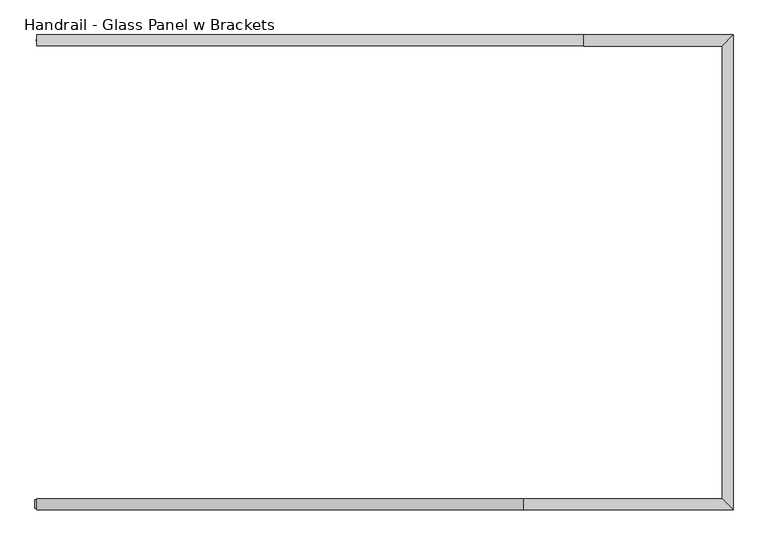
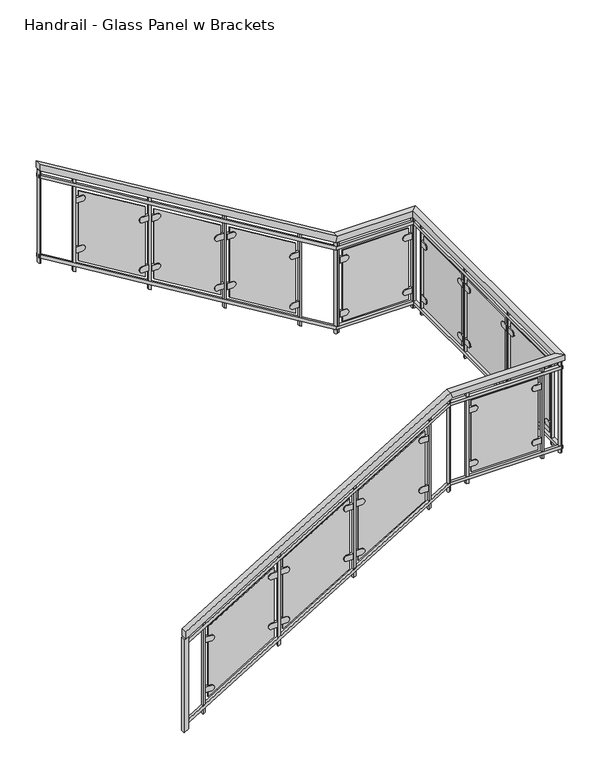
"""IFC4 building model written with IfcOpenShell, lengths in millimetres: railing geometry, Handrail - Glass Panel w Brackets."""

from ifc_helpers import new_model, si_unit, point, frame, frame_2d, origin, place, context, project, spatial, polyline, circle_curve, ellipse_curve, trimmed, segment, composite_curve, outline, extrude, faceted_brep, source, transform, mapped, element, save
from ifc_brep_helpers import plane_surface, cylinder_surface, advanced_brep


def handrail_glass_panel_w_brackets_734b2f72(model_context):
    return source(origin(), model_context, "Body", "SolidModel", [
        faceted_brep([(-2988.7266552, 8278.177236, 1083.7333333), (-2988.7266552, 8328.977236, 1083.7333333), (-2988.7266552, 8328.977236, 1024.3318731), (-2988.7266552, 8278.177236, 1024.3318731), (-753.5266552, 8278.177236, 2438.4), (-753.5266552, 8328.977236, 2438.4), (-739.3342458, 8328.977236, 2387.6), (-739.3342458, 8278.177236, 2387.6), (211.6733448, 8278.177236, 2438.4), (160.8733448, 8328.977236, 2438.4), (160.8733448, 8328.977236, 2387.6), (211.6733448, 8278.177236, 2387.6), (211.6733448, 10462.577236, 2438.4), (160.8733448, 10411.777236, 2438.4), (160.8733448, 10411.777236, 2387.6), (211.6733448, 10462.577236, 2387.6), (-474.1266552, 10462.577236, 2438.4), (-474.1266552, 10411.777236, 2438.4), (-488.3190646, 10411.777236, 2387.6), (-488.3190646, 10462.577236, 2387.6), (-2988.7266552, 10462.577236, 3962.4), (-2988.7266552, 10462.577236, 3902.9985397), (-2988.7266552, 10411.777236, 3902.9985397), (-2988.7266552, 10411.777236, 3962.4)], [[[0, 1, 2, 3]], [[1, 0, 4, 5]], [[2, 1, 5, 6]], [[3, 2, 6, 7]], [[0, 3, 7, 4]], [[5, 4, 8, 9]], [[6, 5, 9, 10]], [[7, 6, 10, 11]], [[4, 7, 11, 8]], [[9, 8, 12, 13]], [[10, 9, 13, 14]], [[11, 10, 14, 15]], [[8, 11, 15, 12]], [[13, 12, 16, 17]], [[14, 13, 17, 18]], [[15, 14, 18, 19]], [[12, 15, 19, 16]], [[20, 21, 22, 23]], [[17, 16, 20, 23]], [[18, 17, 23, 22]], [[19, 18, 22, 21]], [[16, 19, 21, 20]]]),
        faceted_brep([(-2988.7266552, 8290.877236, 982.1333333), (-2988.7266552, 8316.277236, 982.1333333), (-2988.7266552, 8316.277236, 952.4326032), (-2988.7266552, 8290.877236, 952.4326032), (-753.5266552, 8290.877236, 2336.8), (-753.5266552, 8316.277236, 2336.8), (-746.4304505, 8316.277236, 2311.4), (-746.4304505, 8290.877236, 2311.4), (198.9733448, 8290.877236, 2336.8), (173.5733448, 8316.277236, 2336.8), (173.5733448, 8316.277236, 2311.4), (198.9733448, 8290.877236, 2311.4), (198.9733448, 10449.877236, 2336.8), (173.5733448, 10424.477236, 2336.8), (173.5733448, 10424.477236, 2311.4), (198.9733448, 10449.877236, 2311.4), (-474.1266552, 10449.877236, 2336.8), (-474.1266552, 10424.477236, 2336.8), (-481.2228599, 10424.477236, 2311.4), (-481.2228599, 10449.877236, 2311.4), (-2988.7266552, 10449.877236, 3860.8), (-2988.7266552, 10449.877236, 3831.0992699), (-2988.7266552, 10424.477236, 3831.0992699), (-2988.7266552, 10424.477236, 3860.8)], [[[0, 1, 2, 3]], [[1, 0, 4, 5]], [[2, 1, 5, 6]], [[3, 2, 6, 7]], [[0, 3, 7, 4]], [[5, 4, 8, 9]], [[6, 5, 9, 10]], [[7, 6, 10, 11]], [[4, 7, 11, 8]], [[9, 8, 12, 13]], [[10, 9, 13, 14]], [[11, 10, 14, 15]], [[8, 11, 15, 12]], [[13, 12, 16, 17]], [[14, 13, 17, 18]], [[15, 14, 18, 19]], [[12, 15, 19, 16]], [[20, 21, 22, 23]], [[17, 16, 20, 23]], [[18, 17, 23, 22]], [[19, 18, 22, 21]], [[16, 19, 21, 20]]]),
        faceted_brep([(-2988.7266552, 8290.877236, 270.9333333), (-2988.7266552, 8316.277236, 270.9333333), (-2988.7266552, 8316.277236, 241.2326032), (-2988.7266552, 8290.877236, 241.2326032), (-753.5266552, 8290.877236, 1625.6), (-753.5266552, 8316.277236, 1625.6), (-746.4304505, 8316.277236, 1600.2), (-746.4304505, 8290.877236, 1600.2), (198.9733448, 8290.877236, 1625.6), (173.5733448, 8316.277236, 1625.6), (173.5733448, 8316.277236, 1600.2), (198.9733448, 8290.877236, 1600.2), (198.9733448, 10449.877236, 1625.6), (173.5733448, 10424.477236, 1625.6), (173.5733448, 10424.477236, 1600.2), (198.9733448, 10449.877236, 1600.2), (-474.1266552, 10449.877236, 1625.6), (-474.1266552, 10424.477236, 1625.6), (-481.2228599, 10424.477236, 1600.2), (-481.2228599, 10449.877236, 1600.2), (-2988.7266552, 10449.877236, 3149.6), (-2988.7266552, 10449.877236, 3119.8992699), (-2988.7266552, 10424.477236, 3119.8992699), (-2988.7266552, 10424.477236, 3149.6)], [[[0, 1, 2, 3]], [[1, 0, 4, 5]], [[2, 1, 5, 6]], [[3, 2, 6, 7]], [[0, 3, 7, 4]], [[5, 4, 8, 9]], [[6, 5, 9, 10]], [[7, 6, 10, 11]], [[4, 7, 11, 8]], [[9, 8, 12, 13]], [[10, 9, 13, 14]], [[11, 10, 14, 15]], [[8, 11, 15, 12]], [[13, 12, 16, 17]], [[14, 13, 17, 18]], [[15, 14, 18, 19]], [[12, 15, 19, 16]], [[20, 21, 22, 23]], [[17, 16, 20, 23]], [[18, 17, 23, 22]], [[19, 18, 22, 21]], [[16, 19, 21, 20]]]),
        extrude(outline(polyline([(3712.4985397, -2674.4016552), (3724.0439943, -2693.4516552), (2895.7428874, -2693.4516552), (2884.1974329, -2674.4016552), (3712.4985397, -2674.4016552)])), frame((0.0, 10427.652236, 0.0), z_axis=(0.0, 1.0, 0.0), x_axis=(0.0, 0.0, 1.0)), (0.0, 0.0, 1.0), 19.05),
        extrude(outline(composite_curve([segment(polyline([(3545.2721069, -2620.4266552), (3545.2721069, -2671.2266552), (3494.4721069, -2671.2266552), (3494.4721069, -2620.4266552)]), True, "CONTINUOUS"), segment(trimmed(circle_curve(frame_2d((3519.8721069, -2620.4266552)), 25.4), [point((3494.4721069, -2620.4266552))], [point((3545.2721069, -2620.4266552))], False, "CARTESIAN"), True, "CONTINUOUS")], self_intersect=False)), frame((0.0, 10424.477236, 0.0), z_axis=(0.0, 1.0, 0.0), x_axis=(0.0, 0.0, 1.0)), (0.0, 0.0, 1.0), 19.05),
        extrude(outline(composite_curve([segment(trimmed(circle_curve(frame_2d((3150.4175615, -2112.4266552)), 25.4), [point((3175.8175615, -2112.4266552))], [point((3125.0175615, -2112.4266552))], False, "CARTESIAN"), True, "CONTINUOUS"), segment(polyline([(3125.0175615, -2112.4266552), (3125.0175615, -2061.6266552), (3175.8175615, -2061.6266552), (3175.8175615, -2112.4266552)]), True, "CONTINUOUS")], self_intersect=False)), frame((0.0, 10424.477236, 0.0), z_axis=(0.0, 1.0, 0.0), x_axis=(0.0, 0.0, 1.0)), (0.0, 0.0, 1.0), 19.05),
        extrude(outline(composite_curve([segment(polyline([(3101.3786781, -2620.4266552), (3101.3786781, -2671.2266552), (3050.5786781, -2671.2266552), (3050.5786781, -2620.4266552)]), True, "CONTINUOUS"), segment(trimmed(circle_curve(frame_2d((3075.9786781, -2620.4266552)), 25.4), [point((3050.5786781, -2620.4266552))], [point((3101.3786781, -2620.4266552))], False, "CARTESIAN"), True, "CONTINUOUS")], self_intersect=False)), frame((0.0, 10424.477236, 0.0), z_axis=(0.0, 1.0, 0.0), x_axis=(0.0, 0.0, 1.0)), (0.0, 0.0, 1.0), 19.05),
        extrude(outline(composite_curve([segment(trimmed(circle_curve(frame_2d((2706.5241326, -2112.4266552)), 25.4), [point((2731.9241326, -2112.4266552))], [point((2681.1241326, -2112.4266552))], False, "CARTESIAN"), True, "CONTINUOUS"), segment(polyline([(2681.1241326, -2112.4266552), (2681.1241326, -2061.6266552), (2731.9241326, -2061.6266552), (2731.9241326, -2112.4266552)]), True, "CONTINUOUS")], self_intersect=False)), frame((0.0, 10424.477236, 0.0), z_axis=(0.0, 1.0, 0.0), x_axis=(0.0, 0.0, 1.0)), (0.0, 0.0, 1.0), 19.05),
        extrude(outline(polyline([(3254.9136913, -2087.0266552), (3593.5803579, -2645.8266552), (2971.4825483, -2645.8266552), (2632.8158816, -2087.0266552), (3254.9136913, -2087.0266552)])), frame((0.0, 10430.827236, 0.0), z_axis=(0.0, 1.0, 0.0), x_axis=(0.0, 0.0, 1.0)), (0.0, 0.0, 1.0), 6.35),
        extrude(outline(polyline([(3327.6500549, -2039.4016552), (3339.1955094, -2058.4516552), (2510.8944026, -2058.4516552), (2499.348948, -2039.4016552), (3327.6500549, -2039.4016552)])), frame((0.0, 10427.652236, 0.0), z_axis=(0.0, 1.0, 0.0), x_axis=(0.0, 0.0, 1.0)), (0.0, 0.0, 1.0), 19.05),
        extrude(outline(composite_curve([segment(polyline([(3160.4236221, -1985.4266552), (3160.4236221, -2036.2266552), (3109.6236221, -2036.2266552), (3109.6236221, -1985.4266552)]), True, "CONTINUOUS"), segment(trimmed(circle_curve(frame_2d((3135.0236221, -1985.4266552)), 25.4), [point((3109.6236221, -1985.4266552))], [point((3160.4236221, -1985.4266552))], False, "CARTESIAN"), True, "CONTINUOUS")], self_intersect=False)), frame((0.0, 10424.477236, 0.0), z_axis=(0.0, 1.0, 0.0), x_axis=(0.0, 0.0, 1.0)), (0.0, 0.0, 1.0), 19.05),
        extrude(outline(composite_curve([segment(trimmed(circle_curve(frame_2d((2765.5690766, -1477.4266552)), 25.4), [point((2790.9690766, -1477.4266552))], [point((2740.1690766, -1477.4266552))], False, "CARTESIAN"), True, "CONTINUOUS"), segment(polyline([(2740.1690766, -1477.4266552), (2740.1690766, -1426.6266552), (2790.9690766, -1426.6266552), (2790.9690766, -1477.4266552)]), True, "CONTINUOUS")], self_intersect=False)), frame((0.0, 10424.477236, 0.0), z_axis=(0.0, 1.0, 0.0), x_axis=(0.0, 0.0, 1.0)), (0.0, 0.0, 1.0), 19.05),
        extrude(outline(composite_curve([segment(polyline([(2716.5301932, -1985.4266552), (2716.5301932, -2036.2266552), (2665.7301932, -2036.2266552), (2665.7301932, -1985.4266552)]), True, "CONTINUOUS"), segment(trimmed(circle_curve(frame_2d((2691.1301932, -1985.4266552)), 25.4), [point((2665.7301932, -1985.4266552))], [point((2716.5301932, -1985.4266552))], False, "CARTESIAN"), True, "CONTINUOUS")], self_intersect=False)), frame((0.0, 10424.477236, 0.0), z_axis=(0.0, 1.0, 0.0), x_axis=(0.0, 0.0, 1.0)), (0.0, 0.0, 1.0), 19.05),
        extrude(outline(composite_curve([segment(trimmed(circle_curve(frame_2d((2321.6756478, -1477.4266552)), 25.4), [point((2347.0756478, -1477.4266552))], [point((2296.2756478, -1477.4266552))], False, "CARTESIAN"), True, "CONTINUOUS"), segment(polyline([(2296.2756478, -1477.4266552), (2296.2756478, -1426.6266552), (2347.0756478, -1426.6266552), (2347.0756478, -1477.4266552)]), True, "CONTINUOUS")], self_intersect=False)), frame((0.0, 10424.477236, 0.0), z_axis=(0.0, 1.0, 0.0), x_axis=(0.0, 0.0, 1.0)), (0.0, 0.0, 1.0), 19.05),
        extrude(outline(polyline([(2870.0652064, -1452.0266552), (3208.7318731, -2010.8266552), (2586.6340635, -2010.8266552), (2247.9673968, -1452.0266552), (2870.0652064, -1452.0266552)])), frame((0.0, 10430.827236, 0.0), z_axis=(0.0, 1.0, 0.0), x_axis=(0.0, 0.0, 1.0)), (0.0, 0.0, 1.0), 6.35),
        extrude(outline(polyline([(2942.80157, -1404.4016552), (2954.3470246, -1423.4516552), (2126.0459177, -1423.4516552), (2114.5004632, -1404.4016552), (2942.80157, -1404.4016552)])), frame((0.0, 10427.652236, 0.0), z_axis=(0.0, 1.0, 0.0), x_axis=(0.0, 0.0, 1.0)), (0.0, 0.0, 1.0), 19.05),
        extrude(outline(composite_curve([segment(polyline([(2775.5751372, -1350.4266552), (2775.5751372, -1401.2266552), (2724.7751372, -1401.2266552), (2724.7751372, -1350.4266552)]), True, "CONTINUOUS"), segment(trimmed(circle_curve(frame_2d((2750.1751372, -1350.4266552)), 25.4), [point((2724.7751372, -1350.4266552))], [point((2775.5751372, -1350.4266552))], False, "CARTESIAN"), True, "CONTINUOUS")], self_intersect=False)), frame((0.0, 10424.477236, 0.0), z_axis=(0.0, 1.0, 0.0), x_axis=(0.0, 0.0, 1.0)), (0.0, 0.0, 1.0), 19.05),
        extrude(outline(composite_curve([segment(trimmed(circle_curve(frame_2d((2380.7205918, -842.4266552)), 25.4), [point((2406.1205918, -842.4266552))], [point((2355.3205918, -842.4266552))], False, "CARTESIAN"), True, "CONTINUOUS"), segment(polyline([(2355.3205918, -842.4266552), (2355.3205918, -791.6266552), (2406.1205918, -791.6266552), (2406.1205918, -842.4266552)]), True, "CONTINUOUS")], self_intersect=False)), frame((0.0, 10424.477236, 0.0), z_axis=(0.0, 1.0, 0.0), x_axis=(0.0, 0.0, 1.0)), (0.0, 0.0, 1.0), 19.05),
        extrude(outline(composite_curve([segment(polyline([(2331.6817084, -1350.4266552), (2331.6817084, -1401.2266552), (2280.8817084, -1401.2266552), (2280.8817084, -1350.4266552)]), True, "CONTINUOUS"), segment(trimmed(circle_curve(frame_2d((2306.2817084, -1350.4266552)), 25.4), [point((2280.8817084, -1350.4266552))], [point((2331.6817084, -1350.4266552))], False, "CARTESIAN"), True, "CONTINUOUS")], self_intersect=False)), frame((0.0, 10424.477236, 0.0), z_axis=(0.0, 1.0, 0.0), x_axis=(0.0, 0.0, 1.0)), (0.0, 0.0, 1.0), 19.05),
        extrude(outline(composite_curve([segment(trimmed(circle_curve(frame_2d((1936.8271629, -842.4266552)), 25.4), [point((1962.2271629, -842.4266552))], [point((1911.4271629, -842.4266552))], False, "CARTESIAN"), True, "CONTINUOUS"), segment(polyline([(1911.4271629, -842.4266552), (1911.4271629, -791.6266552), (1962.2271629, -791.6266552), (1962.2271629, -842.4266552)]), True, "CONTINUOUS")], self_intersect=False)), frame((0.0, 10424.477236, 0.0), z_axis=(0.0, 1.0, 0.0), x_axis=(0.0, 0.0, 1.0)), (0.0, 0.0, 1.0), 19.05),
        extrude(outline(polyline([(2485.2167216, -817.0266552), (2823.8833882, -1375.8266552), (2201.7855786, -1375.8266552), (1863.1189119, -817.0266552), (2485.2167216, -817.0266552)])), frame((0.0, 10430.827236, 0.0), z_axis=(0.0, 1.0, 0.0), x_axis=(0.0, 0.0, 1.0)), (0.0, 0.0, 1.0), 6.35),
        extrude(outline(polyline([(2557.9530852, -769.4016552), (2569.4985397, -788.4516552), (1741.1974329, -788.4516552), (1729.6519783, -769.4016552), (2557.9530852, -769.4016552)])), frame((0.0, 10427.652236, 0.0), z_axis=(0.0, 1.0, 0.0), x_axis=(0.0, 0.0, 1.0)), (0.0, 0.0, 1.0), 19.05),
        extrude(outline(polyline([(-451.9016552, 10446.702236), (-451.9016552, 10427.652236), (-470.9516552, 10427.652236), (-470.9516552, 10446.702236), (-451.9016552, 10446.702236)])), frame((0.0, 0.0, 1565.275), z_axis=(0.0, 0.0, 1.0), x_axis=(1.0, 0.0, 0.0)), (0.0, 0.0, 1.0), 822.325),
        extrude(outline(composite_curve([segment(polyline([(2235.2, -397.9266552), (2235.2, -448.7266552), (2184.4, -448.7266552), (2184.4, -397.9266552)]), True, "CONTINUOUS"), segment(trimmed(circle_curve(frame_2d((2209.8, -397.9266552)), 25.4), [point((2184.4, -397.9266552))], [point((2235.2, -397.9266552))], False, "CARTESIAN"), True, "CONTINUOUS")], self_intersect=False)), frame((0.0, 10424.477236, 0.0), z_axis=(0.0, 1.0, 0.0), x_axis=(0.0, 0.0, 1.0)), (0.0, 0.0, 1.0), 19.05),
        extrude(outline(composite_curve([segment(trimmed(circle_curve(frame_2d((2209.8, 110.0733448)), 25.4), [point((2235.2, 110.0733448))], [point((2184.4, 110.0733448))], False, "CARTESIAN"), True, "CONTINUOUS"), segment(polyline([(2184.4, 110.0733448), (2184.4, 160.8733448), (2235.2, 160.8733448), (2235.2, 110.0733448)]), True, "CONTINUOUS")], self_intersect=False)), frame((0.0, 10424.477236, 0.0), z_axis=(0.0, 1.0, 0.0), x_axis=(0.0, 0.0, 1.0)), (0.0, 0.0, 1.0), 19.05),
        extrude(outline(composite_curve([segment(polyline([(1752.6, -397.9266552), (1752.6, -448.7266552), (1701.8, -448.7266552), (1701.8, -397.9266552)]), True, "CONTINUOUS"), segment(trimmed(circle_curve(frame_2d((1727.2, -397.9266552)), 25.4), [point((1701.8, -397.9266552))], [point((1752.6, -397.9266552))], False, "CARTESIAN"), True, "CONTINUOUS")], self_intersect=False)), frame((0.0, 10424.477236, 0.0), z_axis=(0.0, 1.0, 0.0), x_axis=(0.0, 0.0, 1.0)), (0.0, 0.0, 1.0), 19.05),
        extrude(outline(composite_curve([segment(trimmed(circle_curve(frame_2d((1727.2, 110.0733448)), 25.4), [point((1752.6, 110.0733448))], [point((1701.8, 110.0733448))], False, "CARTESIAN"), True, "CONTINUOUS"), segment(polyline([(1701.8, 110.0733448), (1701.8, 160.8733448), (1752.6, 160.8733448), (1752.6, 110.0733448)]), True, "CONTINUOUS")], self_intersect=False)), frame((0.0, 10424.477236, 0.0), z_axis=(0.0, 1.0, 0.0), x_axis=(0.0, 0.0, 1.0)), (0.0, 0.0, 1.0), 19.05),
        extrude(outline(polyline([(135.4733448, 10430.827236), (-423.3266552, 10430.827236), (-423.3266552, 10437.177236), (135.4733448, 10437.177236), (135.4733448, 10430.827236)])), frame((0.0, 0.0, 1651.0), z_axis=(0.0, 0.0, 1.0), x_axis=(1.0, 0.0, 0.0)), (0.0, 0.0, 1.0), 635.0),
        extrude(outline(polyline([(183.0983448, 10446.702236), (183.0983448, 10427.652236), (164.0483448, 10427.652236), (164.0483448, 10446.702236), (183.0983448, 10446.702236)])), frame((0.0, 0.0, 1565.275), z_axis=(0.0, 0.0, 1.0), x_axis=(1.0, 0.0, 0.0)), (0.0, 0.0, 1.0), 822.325),
        extrude(outline(polyline([(195.7983448, 10313.352236), (176.7483448, 10313.352236), (176.7483448, 10332.402236), (195.7983448, 10332.402236), (195.7983448, 10313.352236)])), frame((0.0, 0.0, 1565.275), z_axis=(0.0, 0.0, 1.0), x_axis=(1.0, 0.0, 0.0)), (0.0, 0.0, 1.0), 822.325),
        extrude(outline(composite_curve([segment(polyline([(10259.377236, 2235.2), (10310.177236, 2235.2), (10310.177236, 2184.4), (10259.377236, 2184.4)]), True, "CONTINUOUS"), segment(trimmed(circle_curve(frame_2d((10259.377236, 2209.8)), 25.4), [point((10259.377236, 2184.4))], [point((10259.377236, 2235.2))], False, "CARTESIAN"), True, "CONTINUOUS")], self_intersect=False)), frame((173.5733448, 0.0, 0.0), z_axis=(1.0, 0.0, 0.0), x_axis=(0.0, 1.0, 0.0)), (0.0, 0.0, 1.0), 19.05),
        extrude(outline(composite_curve([segment(trimmed(circle_curve(frame_2d((9751.377236, 2209.8)), 25.4), [point((9751.377236, 2235.2))], [point((9751.377236, 2184.4))], False, "CARTESIAN"), True, "CONTINUOUS"), segment(polyline([(9751.377236, 2184.4), (9700.577236, 2184.4), (9700.577236, 2235.2), (9751.377236, 2235.2)]), True, "CONTINUOUS")], self_intersect=False)), frame((173.5733448, 0.0, 0.0), z_axis=(1.0, 0.0, 0.0), x_axis=(0.0, 1.0, 0.0)), (0.0, 0.0, 1.0), 19.05),
        extrude(outline(composite_curve([segment(polyline([(10259.377236, 1752.6), (10310.177236, 1752.6), (10310.177236, 1701.8), (10259.377236, 1701.8)]), True, "CONTINUOUS"), segment(trimmed(circle_curve(frame_2d((10259.377236, 1727.2)), 25.4), [point((10259.377236, 1701.8))], [point((10259.377236, 1752.6))], False, "CARTESIAN"), True, "CONTINUOUS")], self_intersect=False)), frame((173.5733448, 0.0, 0.0), z_axis=(1.0, 0.0, 0.0), x_axis=(0.0, 1.0, 0.0)), (0.0, 0.0, 1.0), 19.05),
        extrude(outline(composite_curve([segment(trimmed(circle_curve(frame_2d((9751.377236, 1727.2)), 25.4), [point((9751.377236, 1752.6))], [point((9751.377236, 1701.8))], False, "CARTESIAN"), True, "CONTINUOUS"), segment(polyline([(9751.377236, 1701.8), (9700.577236, 1701.8), (9700.577236, 1752.6), (9751.377236, 1752.6)]), True, "CONTINUOUS")], self_intersect=False)), frame((173.5733448, 0.0, 0.0), z_axis=(1.0, 0.0, 0.0), x_axis=(0.0, 1.0, 0.0)), (0.0, 0.0, 1.0), 19.05),
        extrude(outline(polyline([(179.9233448, 9725.977236), (179.9233448, 10284.777236), (186.2733448, 10284.777236), (186.2733448, 9725.977236), (179.9233448, 9725.977236)])), frame((0.0, 0.0, 1651.0), z_axis=(0.0, 0.0, 1.0), x_axis=(1.0, 0.0, 0.0)), (0.0, 0.0, 1.0), 635.0),
        extrude(outline(polyline([(195.7983448, 9678.352236), (176.7483448, 9678.352236), (176.7483448, 9697.402236), (195.7983448, 9697.402236), (195.7983448, 9678.352236)])), frame((0.0, 0.0, 1565.275), z_axis=(0.0, 0.0, 1.0), x_axis=(1.0, 0.0, 0.0)), (0.0, 0.0, 1.0), 822.325),
        extrude(outline(composite_curve([segment(polyline([(9624.377236, 2235.2), (9675.177236, 2235.2), (9675.177236, 2184.4), (9624.377236, 2184.4)]), True, "CONTINUOUS"), segment(trimmed(circle_curve(frame_2d((9624.377236, 2209.8)), 25.4), [point((9624.377236, 2184.4))], [point((9624.377236, 2235.2))], False, "CARTESIAN"), True, "CONTINUOUS")], self_intersect=False)), frame((173.5733448, 0.0, 0.0), z_axis=(1.0, 0.0, 0.0), x_axis=(0.0, 1.0, 0.0)), (0.0, 0.0, 1.0), 19.05),
        extrude(outline(composite_curve([segment(trimmed(circle_curve(frame_2d((9116.377236, 2209.8)), 25.4), [point((9116.377236, 2235.2))], [point((9116.377236, 2184.4))], False, "CARTESIAN"), True, "CONTINUOUS"), segment(polyline([(9116.377236, 2184.4), (9065.577236, 2184.4), (9065.577236, 2235.2), (9116.377236, 2235.2)]), True, "CONTINUOUS")], self_intersect=False)), frame((173.5733448, 0.0, 0.0), z_axis=(1.0, 0.0, 0.0), x_axis=(0.0, 1.0, 0.0)), (0.0, 0.0, 1.0), 19.05),
        extrude(outline(composite_curve([segment(polyline([(9624.377236, 1752.6), (9675.177236, 1752.6), (9675.177236, 1701.8), (9624.377236, 1701.8)]), True, "CONTINUOUS"), segment(trimmed(circle_curve(frame_2d((9624.377236, 1727.2)), 25.4), [point((9624.377236, 1701.8))], [point((9624.377236, 1752.6))], False, "CARTESIAN"), True, "CONTINUOUS")], self_intersect=False)), frame((173.5733448, 0.0, 0.0), z_axis=(1.0, 0.0, 0.0), x_axis=(0.0, 1.0, 0.0)), (0.0, 0.0, 1.0), 19.05),
        extrude(outline(composite_curve([segment(trimmed(circle_curve(frame_2d((9116.377236, 1727.2)), 25.4), [point((9116.377236, 1752.6))], [point((9116.377236, 1701.8))], False, "CARTESIAN"), True, "CONTINUOUS"), segment(polyline([(9116.377236, 1701.8), (9065.577236, 1701.8), (9065.577236, 1752.6), (9116.377236, 1752.6)]), True, "CONTINUOUS")], self_intersect=False)), frame((173.5733448, 0.0, 0.0), z_axis=(1.0, 0.0, 0.0), x_axis=(0.0, 1.0, 0.0)), (0.0, 0.0, 1.0), 19.05),
        extrude(outline(polyline([(179.9233448, 9090.977236), (179.9233448, 9649.777236), (186.2733448, 9649.777236), (186.2733448, 9090.977236), (179.9233448, 9090.977236)])), frame((0.0, 0.0, 1651.0), z_axis=(0.0, 0.0, 1.0), x_axis=(1.0, 0.0, 0.0)), (0.0, 0.0, 1.0), 635.0),
        extrude(outline(polyline([(195.7983448, 9043.352236), (176.7483448, 9043.352236), (176.7483448, 9062.402236), (195.7983448, 9062.402236), (195.7983448, 9043.352236)])), frame((0.0, 0.0, 1565.275), z_axis=(0.0, 0.0, 1.0), x_axis=(1.0, 0.0, 0.0)), (0.0, 0.0, 1.0), 822.325),
        extrude(outline(composite_curve([segment(polyline([(8989.377236, 2235.2), (9040.177236, 2235.2), (9040.177236, 2184.4), (8989.377236, 2184.4)]), True, "CONTINUOUS"), segment(trimmed(circle_curve(frame_2d((8989.377236, 2209.8)), 25.4), [point((8989.377236, 2184.4))], [point((8989.377236, 2235.2))], False, "CARTESIAN"), True, "CONTINUOUS")], self_intersect=False)), frame((173.5733448, 0.0, 0.0), z_axis=(1.0, 0.0, 0.0), x_axis=(0.0, 1.0, 0.0)), (0.0, 0.0, 1.0), 19.05),
        extrude(outline(composite_curve([segment(trimmed(circle_curve(frame_2d((8481.377236, 2209.8)), 25.4), [point((8481.377236, 2235.2))], [point((8481.377236, 2184.4))], False, "CARTESIAN"), True, "CONTINUOUS"), segment(polyline([(8481.377236, 2184.4), (8430.577236, 2184.4), (8430.577236, 2235.2), (8481.377236, 2235.2)]), True, "CONTINUOUS")], self_intersect=False)), frame((173.5733448, 0.0, 0.0), z_axis=(1.0, 0.0, 0.0), x_axis=(0.0, 1.0, 0.0)), (0.0, 0.0, 1.0), 19.05),
        extrude(outline(composite_curve([segment(polyline([(8989.377236, 1752.6), (9040.177236, 1752.6), (9040.177236, 1701.8), (8989.377236, 1701.8)]), True, "CONTINUOUS"), segment(trimmed(circle_curve(frame_2d((8989.377236, 1727.2)), 25.4), [point((8989.377236, 1701.8))], [point((8989.377236, 1752.6))], False, "CARTESIAN"), True, "CONTINUOUS")], self_intersect=False)), frame((173.5733448, 0.0, 0.0), z_axis=(1.0, 0.0, 0.0), x_axis=(0.0, 1.0, 0.0)), (0.0, 0.0, 1.0), 19.05),
        extrude(outline(composite_curve([segment(trimmed(circle_curve(frame_2d((8481.377236, 1727.2)), 25.4), [point((8481.377236, 1752.6))], [point((8481.377236, 1701.8))], False, "CARTESIAN"), True, "CONTINUOUS"), segment(polyline([(8481.377236, 1701.8), (8430.577236, 1701.8), (8430.577236, 1752.6), (8481.377236, 1752.6)]), True, "CONTINUOUS")], self_intersect=False)), frame((173.5733448, 0.0, 0.0), z_axis=(1.0, 0.0, 0.0), x_axis=(0.0, 1.0, 0.0)), (0.0, 0.0, 1.0), 19.05),
        extrude(outline(polyline([(179.9233448, 8455.977236), (179.9233448, 9014.777236), (186.2733448, 9014.777236), (186.2733448, 8455.977236), (179.9233448, 8455.977236)])), frame((0.0, 0.0, 1651.0), z_axis=(0.0, 0.0, 1.0), x_axis=(1.0, 0.0, 0.0)), (0.0, 0.0, 1.0), 635.0),
        extrude(outline(polyline([(195.7983448, 8408.352236), (176.7483448, 8408.352236), (176.7483448, 8427.402236), (195.7983448, 8427.402236), (195.7983448, 8408.352236)])), frame((0.0, 0.0, 1565.275), z_axis=(0.0, 0.0, 1.0), x_axis=(1.0, 0.0, 0.0)), (0.0, 0.0, 1.0), 822.325),
        extrude(outline(polyline([(24.3483448, 8294.052236), (24.3483448, 8313.102236), (43.3983448, 8313.102236), (43.3983448, 8294.052236), (24.3483448, 8294.052236)])), frame((0.0, 0.0, 1565.275), z_axis=(0.0, 0.0, 1.0), x_axis=(1.0, 0.0, 0.0)), (0.0, 0.0, 1.0), 822.325),
        extrude(outline(composite_curve([segment(trimmed(circle_curve(frame_2d((2209.8, -29.6266552)), 25.4), [point((2235.2, -29.6266552))], [point((2184.4, -29.6266552))], False, "CARTESIAN"), True, "CONTINUOUS"), segment(polyline([(2184.4, -29.6266552), (2184.4, 21.1733448), (2235.2, 21.1733448), (2235.2, -29.6266552)]), True, "CONTINUOUS")], self_intersect=False)), frame((0.0, 8297.227236, 0.0), z_axis=(0.0, 1.0, 0.0), x_axis=(0.0, 0.0, 1.0)), (0.0, 0.0, 1.0), 19.05),
        extrude(outline(composite_curve([segment(polyline([(2235.2, -537.6266552), (2235.2, -588.4266552), (2184.4, -588.4266552), (2184.4, -537.6266552)]), True, "CONTINUOUS"), segment(trimmed(circle_curve(frame_2d((2209.8, -537.6266552)), 25.4), [point((2184.4, -537.6266552))], [point((2235.2, -537.6266552))], False, "CARTESIAN"), True, "CONTINUOUS")], self_intersect=False)), frame((0.0, 8297.227236, 0.0), z_axis=(0.0, 1.0, 0.0), x_axis=(0.0, 0.0, 1.0)), (0.0, 0.0, 1.0), 19.05),
        extrude(outline(composite_curve([segment(trimmed(circle_curve(frame_2d((1727.2, -29.6266552)), 25.4), [point((1752.6, -29.6266552))], [point((1701.8, -29.6266552))], False, "CARTESIAN"), True, "CONTINUOUS"), segment(polyline([(1701.8, -29.6266552), (1701.8, 21.1733448), (1752.6, 21.1733448), (1752.6, -29.6266552)]), True, "CONTINUOUS")], self_intersect=False)), frame((0.0, 8297.227236, 0.0), z_axis=(0.0, 1.0, 0.0), x_axis=(0.0, 0.0, 1.0)), (0.0, 0.0, 1.0), 19.05),
        extrude(outline(composite_curve([segment(polyline([(1752.6, -537.6266552), (1752.6, -588.4266552), (1701.8, -588.4266552), (1701.8, -537.6266552)]), True, "CONTINUOUS"), segment(trimmed(circle_curve(frame_2d((1727.2, -537.6266552)), 25.4), [point((1701.8, -537.6266552))], [point((1752.6, -537.6266552))], False, "CARTESIAN"), True, "CONTINUOUS")], self_intersect=False)), frame((0.0, 8297.227236, 0.0), z_axis=(0.0, 1.0, 0.0), x_axis=(0.0, 0.0, 1.0)), (0.0, 0.0, 1.0), 19.05),
        extrude(outline(polyline([(-563.0266552, 8309.927236), (-4.2266552, 8309.927236), (-4.2266552, 8303.577236), (-563.0266552, 8303.577236), (-563.0266552, 8309.927236)])), frame((0.0, 0.0, 1651.0), z_axis=(0.0, 0.0, 1.0), x_axis=(1.0, 0.0, 0.0)), (0.0, 0.0, 1.0), 635.0),
        extrude(outline(polyline([(-610.6516552, 8294.052236), (-610.6516552, 8313.102236), (-591.6016552, 8313.102236), (-591.6016552, 8294.052236), (-610.6516552, 8294.052236)])), frame((0.0, 0.0, 1565.275), z_axis=(0.0, 0.0, 1.0), x_axis=(1.0, 0.0, 0.0)), (0.0, 0.0, 1.0), 822.325),
        extrude(outline(polyline([(2284.710661, -909.1016552), (2273.1652064, -928.1516552), (1444.8640995, -928.1516552), (1456.4095541, -909.1016552), (2284.710661, -909.1016552)])), frame((0.0, 8294.052236, 0.0), z_axis=(0.0, 1.0, 0.0), x_axis=(0.0, 0.0, 1.0)), (0.0, 0.0, 1.0), 19.05),
        extrude(outline(composite_curve([segment(trimmed(circle_curve(frame_2d((2080.5387736, -982.1266552)), 25.4), [point((2105.9387736, -982.1266552))], [point((2055.1387736, -982.1266552))], False, "CARTESIAN"), True, "CONTINUOUS"), segment(polyline([(2055.1387736, -982.1266552), (2055.1387736, -931.3266552), (2105.9387736, -931.3266552), (2105.9387736, -982.1266552)]), True, "CONTINUOUS")], self_intersect=False)), frame((0.0, 8297.227236, 0.0), z_axis=(0.0, 1.0, 0.0), x_axis=(0.0, 0.0, 1.0)), (0.0, 0.0, 1.0), 19.05),
        extrude(outline(composite_curve([segment(polyline([(1736.4842282, -1490.1266552), (1736.4842282, -1540.9266552), (1685.6842282, -1540.9266552), (1685.6842282, -1490.1266552)]), True, "CONTINUOUS"), segment(trimmed(circle_curve(frame_2d((1711.0842282, -1490.1266552)), 25.4), [point((1685.6842282, -1490.1266552))], [point((1736.4842282, -1490.1266552))], False, "CARTESIAN"), True, "CONTINUOUS")], self_intersect=False)), frame((0.0, 8297.227236, 0.0), z_axis=(0.0, 1.0, 0.0), x_axis=(0.0, 0.0, 1.0)), (0.0, 0.0, 1.0), 19.05),
        extrude(outline(composite_curve([segment(trimmed(circle_curve(frame_2d((1636.6453447, -982.1266552)), 25.4), [point((1662.0453447, -982.1266552))], [point((1611.2453447, -982.1266552))], False, "CARTESIAN"), True, "CONTINUOUS"), segment(polyline([(1611.2453447, -982.1266552), (1611.2453447, -931.3266552), (1662.0453447, -931.3266552), (1662.0453447, -982.1266552)]), True, "CONTINUOUS")], self_intersect=False)), frame((0.0, 8297.227236, 0.0), z_axis=(0.0, 1.0, 0.0), x_axis=(0.0, 0.0, 1.0)), (0.0, 0.0, 1.0), 19.05),
        extrude(outline(composite_curve([segment(polyline([(1292.5907993, -1490.1266552), (1292.5907993, -1540.9266552), (1241.7907993, -1540.9266552), (1241.7907993, -1490.1266552)]), True, "CONTINUOUS"), segment(trimmed(circle_curve(frame_2d((1267.1907993, -1490.1266552)), 25.4), [point((1241.7907993, -1490.1266552))], [point((1292.5907993, -1490.1266552))], False, "CARTESIAN"), True, "CONTINUOUS")], self_intersect=False)), frame((0.0, 8297.227236, 0.0), z_axis=(0.0, 1.0, 0.0), x_axis=(0.0, 0.0, 1.0)), (0.0, 0.0, 1.0), 19.05),
        extrude(outline(polyline([(1815.5803579, -1515.5266552), (1193.4825483, -1515.5266552), (1532.149215, -956.7266552), (2154.2470246, -956.7266552), (1815.5803579, -1515.5266552)])), frame((0.0, 8303.577236, 0.0), z_axis=(0.0, 1.0, 0.0), x_axis=(0.0, 0.0, 1.0)), (0.0, 0.0, 1.0), 6.35),
        extrude(outline(polyline([(1899.8621761, -1544.1016552), (1888.3167216, -1563.1516552), (1060.0156147, -1563.1516552), (1071.5610692, -1544.1016552), (1899.8621761, -1544.1016552)])), frame((0.0, 8294.052236, 0.0), z_axis=(0.0, 1.0, 0.0), x_axis=(0.0, 0.0, 1.0)), (0.0, 0.0, 1.0), 19.05),
        extrude(outline(composite_curve([segment(trimmed(circle_curve(frame_2d((1695.6902888, -1617.1266552)), 25.4), [point((1721.0902888, -1617.1266552))], [point((1670.2902888, -1617.1266552))], False, "CARTESIAN"), True, "CONTINUOUS"), segment(polyline([(1670.2902888, -1617.1266552), (1670.2902888, -1566.3266552), (1721.0902888, -1566.3266552), (1721.0902888, -1617.1266552)]), True, "CONTINUOUS")], self_intersect=False)), frame((0.0, 8297.227236, 0.0), z_axis=(0.0, 1.0, 0.0), x_axis=(0.0, 0.0, 1.0)), (0.0, 0.0, 1.0), 19.05),
        extrude(outline(composite_curve([segment(polyline([(1351.6357433, -2125.1266552), (1351.6357433, -2175.9266552), (1300.8357433, -2175.9266552), (1300.8357433, -2125.1266552)]), True, "CONTINUOUS"), segment(trimmed(circle_curve(frame_2d((1326.2357433, -2125.1266552)), 25.4), [point((1300.8357433, -2125.1266552))], [point((1351.6357433, -2125.1266552))], False, "CARTESIAN"), True, "CONTINUOUS")], self_intersect=False)), frame((0.0, 8297.227236, 0.0), z_axis=(0.0, 1.0, 0.0), x_axis=(0.0, 0.0, 1.0)), (0.0, 0.0, 1.0), 19.05),
        extrude(outline(composite_curve([segment(trimmed(circle_curve(frame_2d((1251.7968599, -1617.1266552)), 25.4), [point((1277.1968599, -1617.1266552))], [point((1226.3968599, -1617.1266552))], False, "CARTESIAN"), True, "CONTINUOUS"), segment(polyline([(1226.3968599, -1617.1266552), (1226.3968599, -1566.3266552), (1277.1968599, -1566.3266552), (1277.1968599, -1617.1266552)]), True, "CONTINUOUS")], self_intersect=False)), frame((0.0, 8297.227236, 0.0), z_axis=(0.0, 1.0, 0.0), x_axis=(0.0, 0.0, 1.0)), (0.0, 0.0, 1.0), 19.05),
        extrude(outline(composite_curve([segment(polyline([(907.7423144, -2125.1266552), (907.7423144, -2175.9266552), (856.9423144, -2175.9266552), (856.9423144, -2125.1266552)]), True, "CONTINUOUS"), segment(trimmed(circle_curve(frame_2d((882.3423144, -2125.1266552)), 25.4), [point((856.9423144, -2125.1266552))], [point((907.7423144, -2125.1266552))], False, "CARTESIAN"), True, "CONTINUOUS")], self_intersect=False)), frame((0.0, 8297.227236, 0.0), z_axis=(0.0, 1.0, 0.0), x_axis=(0.0, 0.0, 1.0)), (0.0, 0.0, 1.0), 19.05),
        extrude(outline(polyline([(1430.7318731, -2150.5266552), (808.6340635, -2150.5266552), (1147.3007301, -1591.7266552), (1769.3985397, -1591.7266552), (1430.7318731, -2150.5266552)])), frame((0.0, 8303.577236, 0.0), z_axis=(0.0, 1.0, 0.0), x_axis=(0.0, 0.0, 1.0)), (0.0, 0.0, 1.0), 6.35),
        extrude(outline(polyline([(1515.0136913, -2179.1016552), (1503.4682367, -2198.1516552), (675.1671298, -2198.1516552), (686.7125844, -2179.1016552), (1515.0136913, -2179.1016552)])), frame((0.0, 8294.052236, 0.0), z_axis=(0.0, 1.0, 0.0), x_axis=(0.0, 0.0, 1.0)), (0.0, 0.0, 1.0), 19.05),
        extrude(outline(composite_curve([segment(trimmed(circle_curve(frame_2d((1310.8418039, -2252.1266552)), 25.4), [point((1336.2418039, -2252.1266552))], [point((1285.4418039, -2252.1266552))], False, "CARTESIAN"), True, "CONTINUOUS"), segment(polyline([(1285.4418039, -2252.1266552), (1285.4418039, -2201.3266552), (1336.2418039, -2201.3266552), (1336.2418039, -2252.1266552)]), True, "CONTINUOUS")], self_intersect=False)), frame((0.0, 8297.227236, 0.0), z_axis=(0.0, 1.0, 0.0), x_axis=(0.0, 0.0, 1.0)), (0.0, 0.0, 1.0), 19.05),
        extrude(outline(composite_curve([segment(polyline([(966.7872585, -2760.1266552), (966.7872585, -2810.9266552), (915.9872585, -2810.9266552), (915.9872585, -2760.1266552)]), True, "CONTINUOUS"), segment(trimmed(circle_curve(frame_2d((941.3872585, -2760.1266552)), 25.4), [point((915.9872585, -2760.1266552))], [point((966.7872585, -2760.1266552))], False, "CARTESIAN"), True, "CONTINUOUS")], self_intersect=False)), frame((0.0, 8297.227236, 0.0), z_axis=(0.0, 1.0, 0.0), x_axis=(0.0, 0.0, 1.0)), (0.0, 0.0, 1.0), 19.05),
        extrude(outline(composite_curve([segment(trimmed(circle_curve(frame_2d((866.9483751, -2252.1266552)), 25.4), [point((892.3483751, -2252.1266552))], [point((841.5483751, -2252.1266552))], False, "CARTESIAN"), True, "CONTINUOUS"), segment(polyline([(841.5483751, -2252.1266552), (841.5483751, -2201.3266552), (892.3483751, -2201.3266552), (892.3483751, -2252.1266552)]), True, "CONTINUOUS")], self_intersect=False)), frame((0.0, 8297.227236, 0.0), z_axis=(0.0, 1.0, 0.0), x_axis=(0.0, 0.0, 1.0)), (0.0, 0.0, 1.0), 19.05),
        extrude(outline(composite_curve([segment(polyline([(522.8938296, -2760.1266552), (522.8938296, -2810.9266552), (472.0938296, -2810.9266552), (472.0938296, -2760.1266552)]), True, "CONTINUOUS"), segment(trimmed(circle_curve(frame_2d((497.4938296, -2760.1266552)), 25.4), [point((472.0938296, -2760.1266552))], [point((522.8938296, -2760.1266552))], False, "CARTESIAN"), True, "CONTINUOUS")], self_intersect=False)), frame((0.0, 8297.227236, 0.0), z_axis=(0.0, 1.0, 0.0), x_axis=(0.0, 0.0, 1.0)), (0.0, 0.0, 1.0), 19.05),
        extrude(outline(polyline([(1045.8833882, -2785.5266552), (423.7855786, -2785.5266552), (762.4522453, -2226.7266552), (1384.5500549, -2226.7266552), (1045.8833882, -2785.5266552)])), frame((0.0, 8303.577236, 0.0), z_axis=(0.0, 1.0, 0.0), x_axis=(0.0, 0.0, 1.0)), (0.0, 0.0, 1.0), 6.35),
        extrude(outline(polyline([(1130.1652064, -2814.1016552), (1118.6197519, -2833.1516552), (290.318645, -2833.1516552), (301.8640995, -2814.1016552), (1130.1652064, -2814.1016552)])), frame((0.0, 8294.052236, 0.0), z_axis=(0.0, 1.0, 0.0), x_axis=(0.0, 0.0, 1.0)), (0.0, 0.0, 1.0), 19.05),
        extrude(outline(composite_curve([segment(trimmed(circle_curve(frame_2d((-474.1266552, 10437.177236)), 12.7), [point((-474.1266552, 10424.477236))], [point((-474.1266552, 10449.877236))], False, "CARTESIAN"), True, "CONTINUOUS"), segment(trimmed(circle_curve(frame_2d((-474.1266552, 10437.177236)), 12.7), [point((-474.1266552, 10449.877236))], [point((-474.1266552, 10424.477236))], False, "CARTESIAN"), True, "CONTINUOUS")], self_intersect=False)), frame((0.0, 0.0, 1565.275), z_axis=(0.0, 0.0, 1.0), x_axis=(1.0, 0.0, 0.0)), (0.0, 0.0, 1.0), 822.325),
        extrude(outline(composite_curve([segment(trimmed(circle_curve(frame_2d((186.2733448, 10437.177236)), 12.7), [point((173.5733448, 10437.177236))], [point((198.9733448, 10437.177236))], False, "CARTESIAN"), True, "CONTINUOUS"), segment(trimmed(circle_curve(frame_2d((186.2733448, 10437.177236)), 12.7), [point((198.9733448, 10437.177236))], [point((173.5733448, 10437.177236))], False, "CARTESIAN"), True, "CONTINUOUS")], self_intersect=False)), frame((0.0, 0.0, 1565.275), z_axis=(0.0, 0.0, 1.0), x_axis=(1.0, 0.0, 0.0)), (0.0, 0.0, 1.0), 822.325),
        extrude(outline(composite_curve([segment(trimmed(circle_curve(frame_2d((186.2733448, 8303.577236)), 12.7), [point((186.2733448, 8316.277236))], [point((186.2733448, 8290.877236))], False, "CARTESIAN"), True, "CONTINUOUS"), segment(trimmed(circle_curve(frame_2d((186.2733448, 8303.577236)), 12.7), [point((186.2733448, 8290.877236))], [point((186.2733448, 8316.277236))], False, "CARTESIAN"), True, "CONTINUOUS")], self_intersect=False)), frame((0.0, 0.0, 1565.275), z_axis=(0.0, 0.0, 1.0), x_axis=(1.0, 0.0, 0.0)), (0.0, 0.0, 1.0), 822.325),
        advanced_brep(
        [(-753.5266552, 8290.877236, 2378.9985397), (-753.5266552, 8290.877236, 1550.6974329), (-753.5266552, 8316.277236, 1550.6974329), (-753.5266552, 8316.277236, 2378.9985397)],
        [
            (0, 1),
            (1, 2, ellipse_curve(frame((-753.5266552, 8303.577236, 1550.6974329), z_axis=(-0.5183017160933442, 0.0, 0.855197831554018), x_axis=(0.8551978315540179, 0.0, 0.518301716093344)), 14.8503651, 12.7)),
            (2, 3),
            (3, 0, ellipse_curve(frame((-753.5266552, 8303.577236, 2378.9985397), z_axis=(0.5183017160933416, 0.0, -0.8551978315540195), x_axis=(0.8551978315540195, 0.0, 0.5183017160933416)), 14.8503651, 12.7)),
            (0, 3, ellipse_curve(frame((-753.5266552, 8303.577236, 2378.9985397), z_axis=(0.5183017160933416, 0.0, -0.8551978315540195), x_axis=(0.8551978315540195, 0.0, 0.5183017160933416)), 14.8503651, 12.7)),
            (2, 1, ellipse_curve(frame((-753.5266552, 8303.577236, 1550.6974329), z_axis=(-0.5183017160933442, 0.0, 0.855197831554018), x_axis=(0.8551978315540179, 0.0, 0.518301716093344)), 14.8503651, 12.7)),
        ],
        [
            cylinder_surface(frame((-753.5266552, 8303.577236, 1322.0974329), z_axis=(0.0, 0.0, 1.0), x_axis=(0.0, 1.0, 0.0)), 12.7),
            plane_surface(frame((-728.1266552, 8328.977236, 2394.3924791), z_axis=(-0.5183017160933416, 0.0, 0.8551978315540195), x_axis=(0.0, -1.0, 0.0))),
            plane_surface(frame((-778.9266552, 8328.977236, 1535.3034935), z_axis=(0.5183017160933442, 0.0, -0.855197831554018), x_axis=(0.0, -1.0, 0.0))),
        ],
        [
            (0, [[1, 2, 3, 4]]),
            (0, [[-1, 5, -3, 6]]),
            (1, [[-4, -5]]),
            (2, [[-2, -6]]),
        ],
    ),
        advanced_brep(
        [(-2979.2016552, 10449.877236, 3897.2258125), (-2979.2016552, 10449.877236, 3068.9247056), (-2979.2016552, 10424.477236, 3068.9247056), (-2979.2016552, 10424.477236, 3897.2258125)],
        [
            (0, 1),
            (1, 2, ellipse_curve(frame((-2979.2016552, 10437.177236, 3068.9247056), z_axis=(0.5183017160933442, 0.0, 0.855197831554018), x_axis=(-0.8551978315540179, 0.0, 0.518301716093344)), 14.8503651, 12.7)),
            (2, 3),
            (3, 0, ellipse_curve(frame((-2979.2016552, 10437.177236, 3897.2258125), z_axis=(-0.5183017160933416, 0.0, -0.8551978315540195), x_axis=(-0.8551978315540195, 0.0, 0.5183017160933416)), 14.8503651, 12.7)),
            (0, 3, ellipse_curve(frame((-2979.2016552, 10437.177236, 3897.2258125), z_axis=(-0.5183017160933416, 0.0, -0.8551978315540195), x_axis=(-0.8551978315540195, 0.0, 0.5183017160933416)), 14.8503651, 12.7)),
            (2, 1, ellipse_curve(frame((-2979.2016552, 10437.177236, 3068.9247056), z_axis=(0.5183017160933442, 0.0, 0.855197831554018), x_axis=(-0.8551978315540179, 0.0, 0.518301716093344)), 14.8503651, 12.7)),
        ],
        [
            cylinder_surface(frame((-2979.2016552, 10437.177236, 2840.3247056), z_axis=(0.0, 0.0, 1.0), x_axis=(0.0, -1.0, 0.0)), 12.7),
            plane_surface(frame((-3004.6016552, 10411.777236, 3912.6197519), z_axis=(0.5183017160933416, 0.0, 0.8551978315540195), x_axis=(0.0, 1.0, 0.0))),
            plane_surface(frame((-2953.8016552, 10411.777236, 3053.5307662), z_axis=(-0.5183017160933442, 0.0, -0.855197831554018), x_axis=(0.0, 1.0, 0.0))),
        ],
        [
            (0, [[1, 2, 3, 4]]),
            (0, [[-1, 5, -3, 6]]),
            (1, [[-4, -5]]),
            (2, [[-2, -6]]),
        ],
    ),
        extrude(outline(polyline([(1041.6500549, -2960.1516552), (1018.5591458, -2998.2516552), (190.2580389, -2998.2516552), (213.348948, -2960.1516552), (1041.6500549, -2960.1516552)])), frame((0.0, 8284.527236, 0.0), z_axis=(0.0, 1.0, 0.0), x_axis=(0.0, 0.0, 1.0)), (0.0, 0.0, 1.0), 38.1),
    ])


if __name__ == "__main__":
    model = new_model("IFC4")
    model_context = context("Model", 3, world=origin())
    ifc_project = project(units=[si_unit("LENGTHUNIT", "METRE", prefix="MILLI")], contexts=[model_context])
    site = spatial("IfcSite", under=ifc_project)
    building = spatial("IfcBuilding", under=site)
    placement = place(None, origin())
    handrail_glass_panel_w_brackets_shape = handrail_glass_panel_w_brackets_734b2f72(model_context)
    element("IfcRailing", 1, ObjectType="Handrail - Glass Panel w Brackets", at=placement, inside=building, context=model_context, shape_type="MappedRepresentation", body=[
        mapped(handrail_glass_panel_w_brackets_shape, transform((0.0, 0.0, 0.0), x_axis=(1.0, 0.0, 0.0), y_axis=(0.0, 1.0, 0.0), z_axis=(0.0, 0.0, 1.0))),
    ])
    save(model, "model.ifc")
